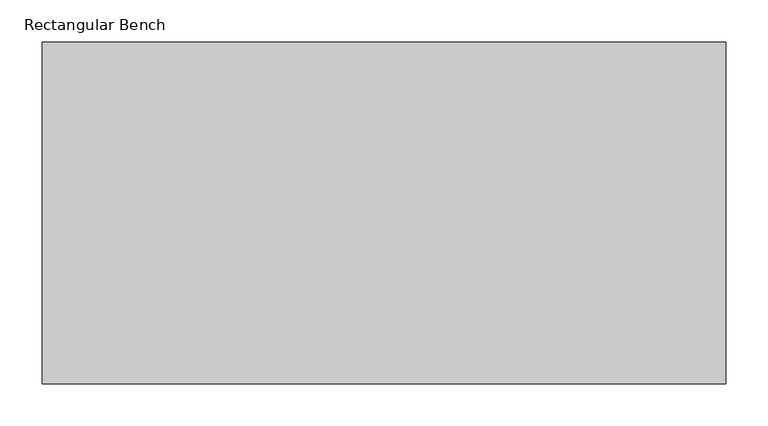
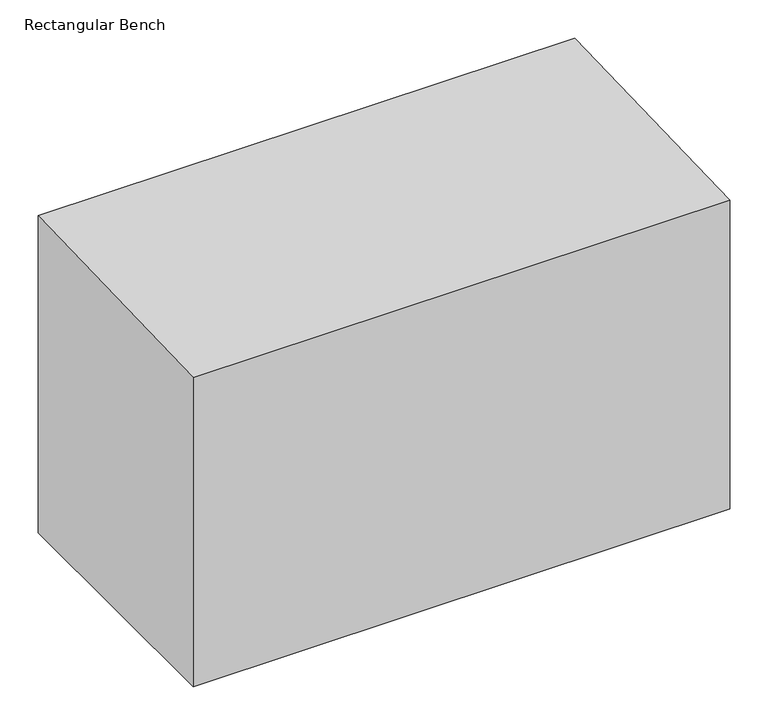
"""IFC4 building model written with IfcOpenShell, lengths in millimetres: proxy geometry, Rectangular Bench."""

from ifc_helpers import new_model, si_unit, frame, origin, place, context, project, spatial, polyline, outline, extrude, source, transform, mapped, element, save


def rectangular_bench_9dd1c3f5(model_context):
    return source(origin(), model_context, "Body", "SweptSolid", [
        extrude(outline(polyline([(203.2, 508.0), (203.2, 0.0), (-203.2, 0.0), (-203.2, 495.3), (203.2, 508.0)])), frame((-609.6, 0.0, 0.0), z_axis=(1.0, 0.0, 0.0), x_axis=(0.0, 1.0, 0.0)), (0.0, 0.0, 1.0), 812.8),
    ])


if __name__ == "__main__":
    model = new_model("IFC4")
    model_context = context("Model", 3, world=origin())
    ifc_project = project(units=[si_unit("LENGTHUNIT", "METRE", prefix="MILLI")], contexts=[model_context])
    site = spatial("IfcSite", under=ifc_project)
    building = spatial("IfcBuilding", under=site)
    placement = place(None, origin())
    rectangular_bench_shape = rectangular_bench_9dd1c3f5(model_context)
    element("IfcBuildingElementProxy", 1, Name="Rectangular Bench", ObjectType="Rectangular Bench", at=placement, inside=building, context=model_context, shape_type="MappedRepresentation", body=[
        mapped(rectangular_bench_shape, transform((0.0, 0.0, 0.0), x_axis=(1.0, 0.0, 0.0), y_axis=(0.0, 1.0, 0.0), z_axis=(0.0, 0.0, 1.0))),
    ])
    save(model, "model.ifc")
